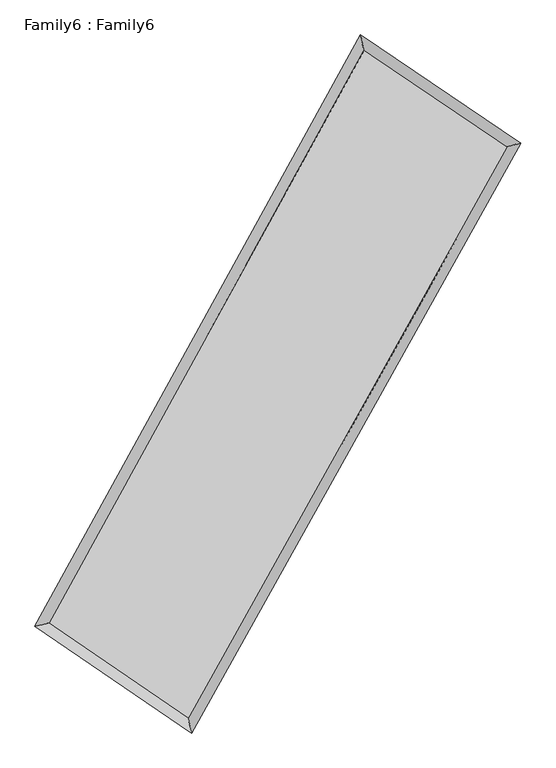
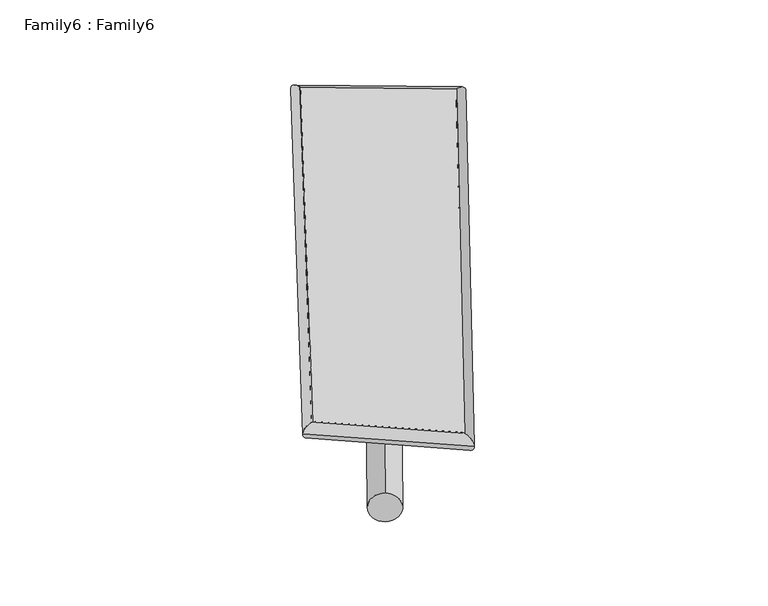
"""IFC4 building model written with IfcOpenShell, lengths in millimetres: plate geometry, Family6 : Family6."""

from ifc_helpers import new_model, si_unit, point, frame, origin, origin_2d, place, context, project, spatial, circle_curve, ellipse_curve, trimmed, segment, composite_curve, outline, extrude, source, transform, mapped, element, save
from ifc_brep_helpers import plane_surface, cylinder_surface, spline_surface, advanced_brep


def family6_family6_c1b8aafd(model_context):
    return source(origin(), model_context, "Body", "SolidModel", [
        extrude(outline(composite_curve([segment(trimmed(circle_curve(origin_2d(), 76.2), [point((-75.4341514, -10.7763074))], [point((75.4341514, 10.7763074))], False, "CARTESIAN"), True, "CONTINUOUS"), segment(trimmed(circle_curve(origin_2d(), 76.2), [point((75.4341514, 10.7763074))], [point((-75.4341514, -10.7763074))], False, "CARTESIAN"), True, "CONTINUOUS")], self_intersect=False)), frame((9144.0, 9144.0, 0.0), z_axis=(0.6676715926995069, 0.6863421433644447, 0.28835586788550716), x_axis=(-0.6798550279030098, 0.7199604357060697, -0.13947799845468148)), (0.0, 0.0, 1.0), 5450.1624798),
        extrude(outline(composite_curve([segment(trimmed(circle_curve(origin_2d(), 76.2), [point((-53.8815367, 53.8815367))], [point((53.8815367, -53.8815367))], False, "CARTESIAN"), True, "CONTINUOUS"), segment(trimmed(circle_curve(origin_2d(), 76.2), [point((53.8815367, -53.8815367))], [point((-53.8815367, 53.8815367))], False, "CARTESIAN"), True, "CONTINUOUS")], self_intersect=False)), frame((9144.0, 9144.0, 0.0), z_axis=(-0.6634257953319908, -0.6901433363755295, 0.2890819768587595), x_axis=(0.6536802636057234, -0.34658059401636043, 0.672743639749659)), (0.0, 0.0, 1.0), 5438.7326372),
        extrude(outline(composite_curve([segment(trimmed(circle_curve(origin_2d(), 76.2), [point((-53.8815368, -53.8815367))], [point((53.8815368, 53.8815367))], False, "CARTESIAN"), True, "CONTINUOUS"), segment(trimmed(circle_curve(origin_2d(), 76.2), [point((53.8815368, 53.8815367))], [point((-53.8815368, -53.8815367))], False, "CARTESIAN"), True, "CONTINUOUS")], self_intersect=False)), frame((9144.0, 9144.0, 0.0), z_axis=(0.2423250516345289, 0.934448307921039, 0.2609308896505546), x_axis=(-0.8439753269455754, 0.3356831878842348, -0.41835683916841454)), (0.0, 0.0, 1.0), 5642.8919998),
        extrude(outline(composite_curve([segment(trimmed(circle_curve(origin_2d(), 76.2), [point((-75.4341514, 10.7763074))], [point((75.4341514, -10.7763074))], False, "CARTESIAN"), True, "CONTINUOUS"), segment(trimmed(circle_curve(origin_2d(), 76.2), [point((75.4341514, -10.7763074))], [point((-75.4341514, 10.7763074))], False, "CARTESIAN"), True, "CONTINUOUS")], self_intersect=False)), frame((9144.0, 9144.0, 0.0), z_axis=(-0.24730024181523658, -0.9331607954965433, 0.26087069622014714), x_axis=(0.8878384404953342, -0.11040774048249988, 0.4467135932791412)), (0.0, 0.0, 1.0), 5640.8992777),
        advanced_brep(
        [(5335.8903008, 5343.0256243, 1565.0655039), (5335.657672, 5342.6480825, 1581.6998255), (5735.7186483, 5437.9641999, 1579.4136608), (10564.2271242, 14197.596811, 1482.5304674), (10458.6010663, 14636.384951, 1462.2791921), (5735.9512771, 5438.3417417, 1562.7793392), (12581.5337301, 12836.7593398, 1570.6128347), (12984.3035966, 12932.5930563, 1572.5598293), (7697.2555146, 4099.8826431, 1473.5456051), (7800.7529746, 3660.3852424, 1469.5450386)],
        [
            (0, 1, ellipse_curve(frame((5535.8044746, 5390.4949121, 1572.2395824), z_axis=(-0.23162367771872147, 0.9726230915027785, 0.018835970790793286), x_axis=(-0.972042740869203, -0.23216527431072143, 0.035102639896667405)), 206.0137775, 152.4)),
            (1, 2, ellipse_curve(frame((5535.8044746, 5390.4949121, 1572.2395824), z_axis=(-0.23162367771872147, 0.9726230915027785, 0.018835970790793286), x_axis=(-0.972042740869203, -0.23216527431072143, 0.035102639896667405)), 206.0137775, 152.4)),
            (2, 3),
            (3, 4, ellipse_curve(frame((10511.4140952, 14416.990881, 1472.4048297), z_axis=(-0.9718338004615888, -0.23484809271470045, -0.019632565513764487), x_axis=(0.23418709734404966, -0.9716951967375438, 0.031062003714419494)), 225.9139175, 152.4)),
            (4, 0),
            (2, 5, ellipse_curve(frame((5535.8044746, 5390.4949121, 1572.2395824), z_axis=(-0.23162367771872147, 0.9726230915027785, 0.018835970790793286), x_axis=(-0.972042740869203, -0.23216527431072143, 0.035102639896667405)), 206.0137775, 152.4)),
            (5, 0, ellipse_curve(frame((5535.8044746, 5390.4949121, 1572.2395824), z_axis=(-0.23162367771872147, 0.9726230915027785, 0.018835970790793286), x_axis=(-0.972042740869203, -0.23216527431072143, 0.035102639896667405)), 206.0137775, 152.4)),
            (4, 3, ellipse_curve(frame((10511.4140952, 14416.990881, 1472.4048297), z_axis=(-0.9718338004615888, -0.23484809271470045, -0.019632565513764487), x_axis=(0.23418709734404966, -0.9716951967375438, 0.031062003714419494)), 225.9139175, 152.4)),
            (3, 6),
            (6, 7, ellipse_curve(frame((12782.9186634, 12884.6761981, 1571.586332), z_axis=(-0.23135477772279767, 0.9727031324950567, -0.017988409021895222), x_axis=(-0.9721609853798233, -0.23185229200058893, -0.033875259399814284)), 207.0839119, 152.4)),
            (7, 4),
            (7, 6, ellipse_curve(frame((12782.9186634, 12884.6761981, 1571.586332), z_axis=(-0.23135477772279767, 0.9727031324950567, -0.017988409021895222), x_axis=(-0.9721609853798233, -0.23185229200058893, -0.033875259399814284)), 207.0839119, 152.4)),
            (6, 8),
            (8, 9, ellipse_curve(frame((7749.0042446, 3880.1339427, 1471.5453219), z_axis=(0.9731252377361715, 0.2293496231976958, -0.02064030086976605), x_axis=(-0.22863758635360984, 0.9729851034821608, 0.032013161484057924)), 225.8409334, 152.4)),
            (9, 7),
            (9, 8, ellipse_curve(frame((7749.0042446, 3880.1339427, 1471.5453219), z_axis=(0.9731252377361715, 0.2293496231976958, -0.02064030086976605), x_axis=(-0.22863758635360984, 0.9729851034821608, 0.032013161484057924)), 225.8409334, 152.4)),
            (8, 5),
            (1, 9),
        ],
        [
            cylinder_surface(frame((5535.8044746, 5390.4949121, 1572.2395824), z_axis=(-0.4827180123662323, -0.8757222782613424, 0.00968565402841294), x_axis=(-0.874657697358218, 0.4815135388563365, -0.05584464477519172)), 152.4),
            cylinder_surface(frame((10511.4140952, 14416.990881, 1472.4048297), z_axis=(-0.8284669985526456, 0.5588684099721906, -0.03617364571516464), x_axis=(0.5598384812661973, 0.8281661160732012, -0.026865574287303608)), 152.4),
            cylinder_surface(frame((12782.9186634, 12884.6761981, 1571.586332), z_axis=(0.48794350924647906, 0.8728213437320657, 0.009697098018615019), x_axis=(0.8728715533851633, -0.48794350924647906, -0.0025264748570630363)), 152.4),
            cylinder_surface(frame((7749.0042446, 3880.1339427, 1471.5453219), z_axis=(0.825408184967355, -0.5632859370718363, -0.037553712013595884), x_axis=(-0.5625968219319646, -0.8262598104011813, 0.027920273420174054)), 152.4),
        ],
        [
            (0, [[1, 2, 3, 4, 5]]),
            (0, [[6, 7, -5, 8, -3]]),
            (1, [[-4, 9, 10, 11]]),
            (1, [[-8, -11, 12, -9]]),
            (2, [[-10, 13, 14, 15]]),
            (2, [[-12, -15, 16, -13]]),
            (3, [[-14, 17, -6, -2, 18]]),
            (3, [[-16, -18, -1, -7, -17]]),
        ],
    ),
        extrude(outline(composite_curve([segment(trimmed(circle_curve(origin_2d(), 304.8), [point((0.0, 304.8))], [point((0.0, -304.8))], False, "CARTESIAN"), True, "CONTINUOUS"), segment(trimmed(circle_curve(origin_2d(), 304.8), [point((0.0, -304.8))], [point((0.0, 304.8))], False, "CARTESIAN"), True, "CONTINUOUS")], self_intersect=False)), frame((11699.7907083, 13630.4995258, -0.0491357), z_axis=(-0.4949817119268201, -0.8689033920796014, 9.51614521452572e-06), x_axis=(-0.868903392128056, 0.4949817119268201, -2.5203645459644674e-06)), (0.0, 0.0, 1.0), 10326.8086343),
        advanced_brep(
        [(5535.8044746, 5390.4949121, 1572.2395824), (7749.0042446, 3880.1339427, 1471.5453219), (7748.9837779, 3880.1423625, 1623.9453203), (5535.7840079, 5390.5033319, 1724.6395808), (12782.9186634, 12884.6761981, 1571.586332), (12782.8981967, 12884.6846179, 1723.9863304), (10511.4140952, 14416.990881, 1472.4048297), (10511.3936286, 14416.9993008, 1624.8048281)],
        [
            (0, 1),
            (1, 2),
            (2, 3),
            (3, 0),
            (1, 4),
            (4, 5),
            (5, 2),
            (4, 6),
            (6, 7),
            (7, 5),
            (6, 0),
            (3, 7),
        ],
        [
            plane_surface(frame((6642.4043596, 4635.3144274, 1521.8924521), z_axis=(-0.5636844865185144, -0.8259901928923763, -3.006616158974379e-05), x_axis=(0.8254081849673551, -0.5632859370718362, -0.03755371201359589))),
            plane_surface(frame((10265.961454, 8382.4050704, 1521.5658269), z_axis=(0.8728616925921137, -0.4879676677989161, 0.00014418085000667599), x_axis=(0.48794350924647895, 0.8728213437320657, 0.009697098018615052))),
            plane_surface(frame((11647.1663793, 13650.8335395, 1521.9955808), z_axis=(0.5592335384705154, 0.8290101619348007, 2.930157096909039e-05), x_axis=(-0.8284669985526455, 0.5588684099721908, -0.03617364571516463))),
            plane_surface(frame((8023.6092849, 9903.7428966, 1522.322206), z_axis=(-0.8757640232620908, 0.48273942737523196, -0.00014428177108398443), x_axis=(-0.4827180123662323, -0.8757222782613424, 0.00968565402841297))),
            spline_surface(1, 1, [[(7748.9837779, 3880.1423625, 1623.9453203), (5535.7840079, 5390.5033319, 1724.6395808)], [(12782.8981967, 12884.6846179, 1723.9863304), (10511.3936286, 14416.9993008, 1624.8048281)]], [2, 2], [2, 2], [0.0, 1.0], [0.0, 1.0]),
            spline_surface(1, 1, [[(10511.4140952, 14416.990881, 1472.4048297), (5535.8044746, 5390.4949121, 1572.2395824)], [(12782.9186634, 12884.6761981, 1571.586332), (7749.0042446, 3880.1339427, 1471.5453219)]], [2, 2], [2, 2], [0.0, 1.0], [0.0, 1.0]),
        ],
        [
            (0, [[1, 2, 3, 4]]),
            (1, [[5, 6, 7, -2]]),
            (2, [[8, 9, 10, -6]]),
            (3, [[11, -4, 12, -9]]),
            (4, [[-3, -7, -10, -12]]),
            (5, [[-11, -8, -5, -1]]),
        ],
    ),
    ])


if __name__ == "__main__":
    model = new_model("IFC4")
    model_context = context("Model", 3, world=origin())
    ifc_project = project(units=[si_unit("LENGTHUNIT", "METRE", prefix="MILLI")], contexts=[model_context])
    site = spatial("IfcSite", under=ifc_project)
    building = spatial("IfcBuilding", under=site)
    placement = place(None, origin())
    family6_family6_shape = family6_family6_c1b8aafd(model_context)
    element("IfcPlate", 1, ObjectType="Family6 : Family6", at=placement, inside=building, context=model_context, shape_type="MappedRepresentation", body=[
        mapped(family6_family6_shape, transform((0.0, 0.0, 0.0), x_axis=(1.0, 0.0, 0.0), y_axis=(0.0, 1.0, 0.0), z_axis=(0.0, 0.0, 1.0))),
    ])
    save(model, "model.ifc")
